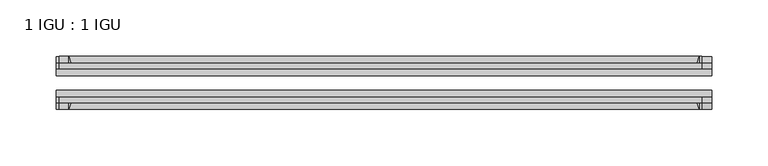
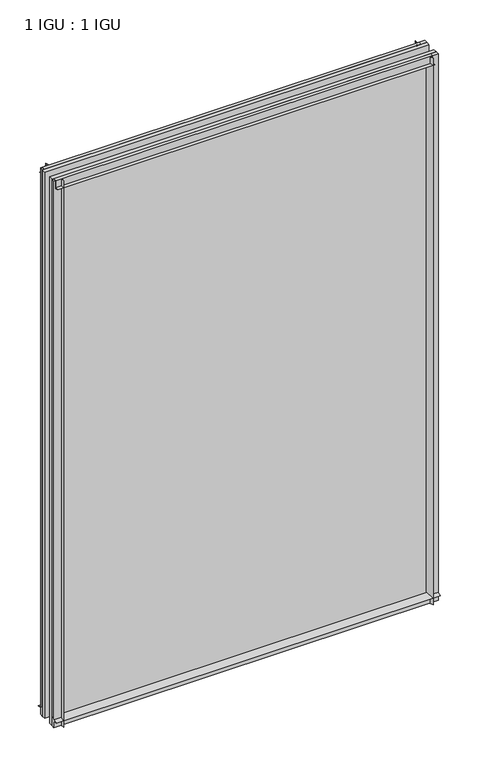
"""IFC4 building model written with IfcOpenShell, lengths in millimetres: plate geometry, 1 IGU : 1 IGU."""

from ifc_helpers import new_model, si_unit, point, frame, frame_2d, origin, place, context, project, spatial, polyline, circle_curve, trimmed, segment, composite_curve, outline, extrude, source, transform, mapped, element, save


def plate_1_igu_1_igu_0c7a077a(model_context):
    return source(origin(), model_context, "Body", "SweptSolid", [
        extrude(outline(composite_curve([segment(trimmed(circle_curve(frame_2d((-28.0741797, 32.2797688)), 32.7673262), [point((-44.45, 3.8979053))], [point((-33.7058, 1.48e-05))], True, "CARTESIAN"), True, "CONTINUOUS"), segment(polyline([(-33.7058, 1.48e-05), (-39.6748, 1.48e-05), (-39.6748, -10.31875), (-44.45, -10.31875), (-44.45, 3.8979053)]), True, "CONTINUOUS")], self_intersect=False)), frame((-290.5125, 0.0, 0.0), z_axis=(1.0, 0.0, 0.0), x_axis=(0.0, 1.0, 0.0)), (0.0, 0.0, 1.0), 581.025),
        extrude(outline(composite_curve([segment(trimmed(circle_curve(frame_2d((-86.2258203, 32.2797602)), 32.7673262), [point((-80.5942354, 0.0))], [point((-69.85, 3.8978967))], True, "CARTESIAN"), True, "CONTINUOUS"), segment(polyline([(-69.85, 3.8978967), (-69.85, -10.31875), (-74.6252, -10.31875), (-74.6252, 0.0), (-80.5942354, 0.0)]), True, "CONTINUOUS")], self_intersect=False)), frame((-290.5125, 0.0, 0.0), z_axis=(1.0, 0.0, 0.0), x_axis=(0.0, 1.0, 0.0)), (0.0, 0.0, 1.0), 581.025),
        extrude(outline(composite_curve([segment(polyline([(-80.5942, 850.9), (-74.6252, 850.9), (-74.6252, 862.0125), (-69.85, 862.0125), (-69.85, 847.0021095)]), True, "CONTINUOUS"), segment(trimmed(circle_curve(frame_2d((-86.2258203, 818.620246)), 32.7673262), [point((-69.85, 847.0021095))], [point((-80.5942, 850.9))], True, "CARTESIAN"), True, "CONTINUOUS")], self_intersect=False)), frame((-287.9127386, 0.0, 0.0), z_axis=(1.0, 0.0, 0.0), x_axis=(0.0, 1.0, 0.0)), (0.0, 0.0, 1.0), 569.8587001),
        extrude(outline(composite_curve([segment(polyline([(-39.6748, 862.0125), (-39.6748, 850.9), (-33.7058, 850.9)]), True, "CONTINUOUS"), segment(trimmed(circle_curve(frame_2d((-28.0741797, 818.620246)), 32.7673262), [point((-33.7058, 850.9))], [point((-44.45, 847.0021095))], True, "CARTESIAN"), True, "CONTINUOUS"), segment(polyline([(-44.45, 847.0021095), (-44.45, 862.0125), (-39.6748, 862.0125)]), True, "CONTINUOUS")], self_intersect=False)), frame((-287.9127386, 0.0, 0.0), z_axis=(1.0, 0.0, 0.0), x_axis=(0.0, 1.0, 0.0)), (0.0, 0.0, 1.0), 569.8587001),
        extrude(outline(composite_curve([segment(polyline([(290.5125, -39.6748), (290.5125, -44.45), (275.5021095, -44.45)]), True, "CONTINUOUS"), segment(trimmed(circle_curve(frame_2d((247.120246, -28.0741797)), 32.7673262), [point((275.5021095, -44.45))], [point((279.4, -33.7058))], True, "CARTESIAN"), True, "CONTINUOUS"), segment(polyline([(279.4, -33.7058), (279.4, -39.6748), (290.5125, -39.6748)]), True, "CONTINUOUS")], self_intersect=False)), frame((0.0, 0.0, -10.31875), z_axis=(0.0, 0.0, 1.0), x_axis=(1.0, 0.0, 0.0)), (0.0, 0.0, 1.0), 872.33125),
        extrude(outline(composite_curve([segment(polyline([(290.5125, -69.85), (290.5125, -74.6252), (279.4, -74.6252), (279.4, -80.5942)]), True, "CONTINUOUS"), segment(trimmed(circle_curve(frame_2d((247.120246, -86.2258203)), 32.7673262), [point((279.4, -80.5942))], [point((275.5021095, -69.85))], True, "CARTESIAN"), True, "CONTINUOUS"), segment(polyline([(275.5021095, -69.85), (290.5125, -69.85)]), True, "CONTINUOUS")], self_intersect=False)), frame((0.0, 0.0, -10.31875), z_axis=(0.0, 0.0, 1.0), x_axis=(1.0, 0.0, 0.0)), (0.0, 0.0, 1.0), 872.33125),
        extrude(outline(composite_curve([segment(polyline([(-290.5125, -39.6748), (-279.4, -39.6748), (-279.4, -33.7058)]), True, "CONTINUOUS"), segment(trimmed(circle_curve(frame_2d((-247.120246, -28.0741797)), 32.7673262), [point((-279.4, -33.7058))], [point((-275.5021095, -44.45))], True, "CARTESIAN"), True, "CONTINUOUS"), segment(polyline([(-275.5021095, -44.45), (-290.5125, -44.45), (-290.5125, -39.6748)]), True, "CONTINUOUS")], self_intersect=False)), frame((0.0, 0.0, -10.31875), z_axis=(0.0, 0.0, 1.0), x_axis=(1.0, 0.0, 0.0)), (0.0, 0.0, 1.0), 872.33125),
        extrude(outline(composite_curve([segment(polyline([(-290.5125, -74.6252), (-290.5125, -69.85), (-275.5021095, -69.85)]), True, "CONTINUOUS"), segment(trimmed(circle_curve(frame_2d((-247.120246, -86.2258203)), 32.7673262), [point((-275.5021095, -69.85))], [point((-279.4, -80.5942))], True, "CARTESIAN"), True, "CONTINUOUS"), segment(polyline([(-279.4, -80.5942), (-279.4, -74.6252), (-290.5125, -74.6252)]), True, "CONTINUOUS")], self_intersect=False)), frame((0.0, 0.0, -10.31875), z_axis=(0.0, 0.0, 1.0), x_axis=(1.0, 0.0, 0.0)), (0.0, 0.0, 1.0), 872.33125),
        extrude(outline(polyline([(-290.5125, -69.85), (-290.5125, -63.5508), (290.5125, -63.5508), (290.5125, -69.85), (-290.5125, -69.85)])), frame((0.0, 0.0, -10.31875), z_axis=(0.0, 0.0, 1.0), x_axis=(1.0, 0.0, 0.0)), (0.0, 0.0, 1.0), 872.33125),
        extrude(outline(polyline([(290.5125, -50.7492), (-290.5125, -50.7492), (-290.5125, -44.45), (290.5125, -44.45), (290.5125, -50.7492)])), frame((0.0, 0.0, -10.31875), z_axis=(0.0, 0.0, 1.0), x_axis=(1.0, 0.0, 0.0)), (0.0, 0.0, 1.0), 872.33125),
    ])


if __name__ == "__main__":
    model = new_model("IFC4")
    model_context = context("Model", 3, world=origin())
    ifc_project = project(units=[si_unit("LENGTHUNIT", "METRE", prefix="MILLI")], contexts=[model_context])
    site = spatial("IfcSite", under=ifc_project)
    building = spatial("IfcBuilding", under=site)
    placement = place(None, origin())
    plate_1_igu_1_igu_shape = plate_1_igu_1_igu_0c7a077a(model_context)
    element("IfcPlate", 1, ObjectType="1 IGU : 1 IGU", at=placement, inside=building, context=model_context, shape_type="MappedRepresentation", body=[
        mapped(plate_1_igu_1_igu_shape, transform((0.0, 0.0, 0.0), x_axis=(1.0, 0.0, 0.0), y_axis=(0.0, 1.0, 0.0), z_axis=(0.0, 0.0, 1.0))),
    ])
    save(model, "model.ifc")
